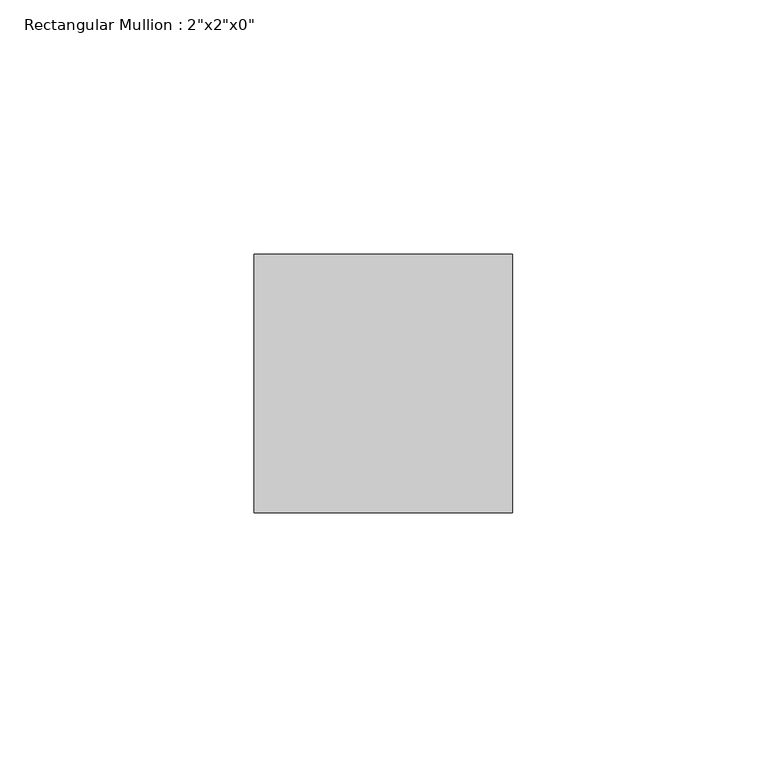
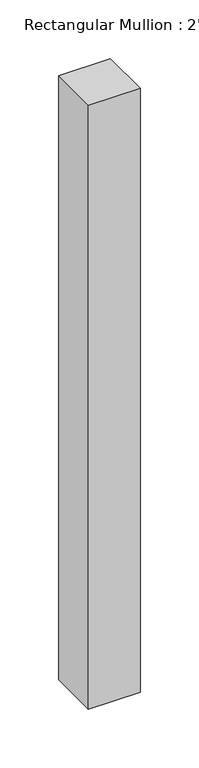
"""IFC4 building model written with IfcOpenShell, lengths in millimetres: member geometry."""

from ifc_helpers import new_model, si_unit, frame, origin, place, context, project, spatial, polyline, outline, extrude, source, transform, mapped, element, save


def member_42207200(model_context):
    return source(origin(), model_context, "Body", "SweptSolid", [
        extrude(outline(polyline([(0.0, 25.4), (0.0, -25.4), (-50.8, -25.4), (-50.8, 25.4), (0.0, 25.4)])), frame((0.0, 0.0, -628.2747799), z_axis=(0.0, 0.0, 1.0), x_axis=(1.0, 0.0, 0.0)), (0.0, 0.0, 1.0), 628.2747799),
    ])


if __name__ == "__main__":
    model = new_model("IFC4")
    model_context = context("Model", 3, world=origin())
    ifc_project = project(units=[si_unit("LENGTHUNIT", "METRE", prefix="MILLI")], contexts=[model_context])
    site = spatial("IfcSite", under=ifc_project)
    building = spatial("IfcBuilding", under=site)
    placement = place(None, origin())
    member_shape = member_42207200(model_context)
    element("IfcMember", 1, ObjectType="Rectangular Mullion : 2\"x2\"x0\"", at=placement, inside=building, context=model_context, shape_type="MappedRepresentation", body=[
        mapped(member_shape, transform((0.0, 0.0, 0.0), x_axis=(1.0, 0.0, 0.0), y_axis=(0.0, 1.0, 0.0), z_axis=(0.0, 0.0, 1.0))),
    ])
    save(model, "model.ifc")
